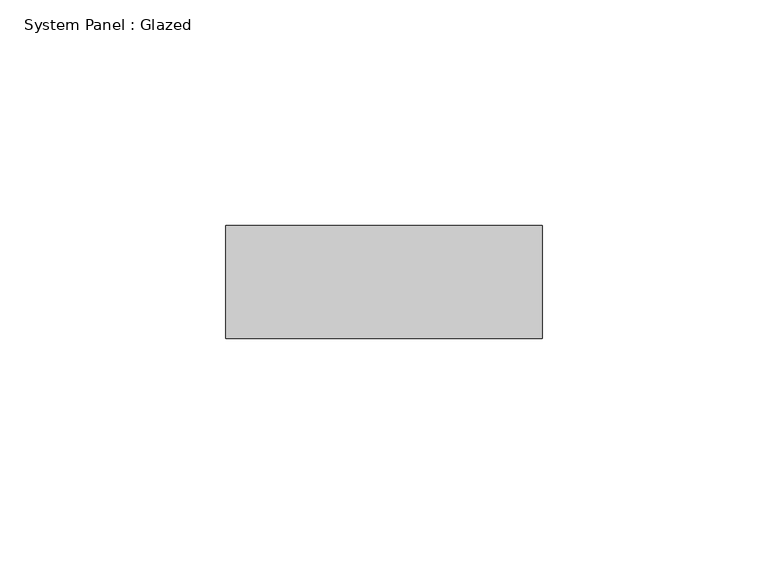
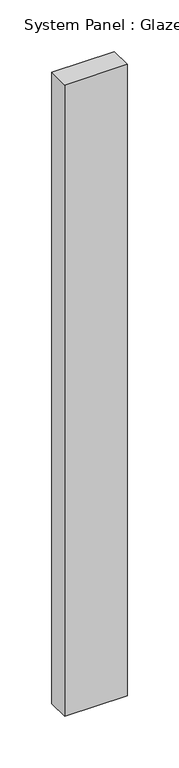
"""IFC4 building model written with IfcOpenShell, lengths in millimetres: plate geometry, System Panel : Glazed."""

from ifc_helpers import new_model, si_unit, origin, origin_with_axes, place, context, project, spatial, polyline, outline, extrude, source, transform, mapped, element, save


def system_panel_glazed_b979d761(model_context):
    return source(origin(), model_context, "Body", "SweptSolid", [
        extrude(outline(polyline([(35.0, -49.5), (-35.0, -49.5), (-35.0, -24.5), (35.0, -24.5), (35.0, -49.5)])), origin_with_axes(), (0.0, 0.0, 1.0), 746.6666667),
    ])


if __name__ == "__main__":
    model = new_model("IFC4")
    model_context = context("Model", 3, world=origin())
    ifc_project = project(units=[si_unit("LENGTHUNIT", "METRE", prefix="MILLI")], contexts=[model_context])
    site = spatial("IfcSite", under=ifc_project)
    building = spatial("IfcBuilding", under=site)
    placement = place(None, origin())
    system_panel_glazed_shape = system_panel_glazed_b979d761(model_context)
    element("IfcPlate", 1, ObjectType="System Panel : Glazed", at=placement, inside=building, context=model_context, shape_type="MappedRepresentation", body=[
        mapped(system_panel_glazed_shape, transform((0.0, 0.0, 0.0), x_axis=(1.0, 0.0, 0.0), y_axis=(0.0, 1.0, 0.0), z_axis=(0.0, 0.0, 1.0))),
    ])
    save(model, "model.ifc")
